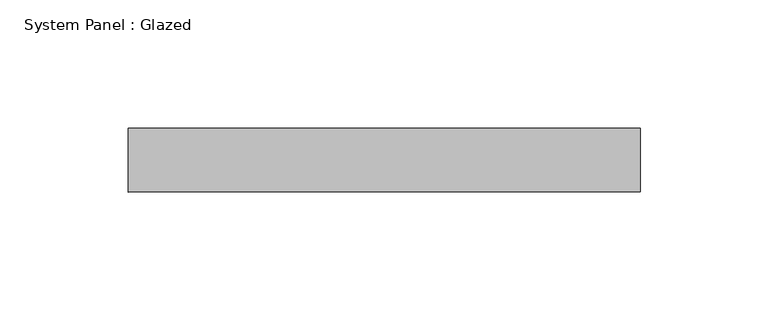
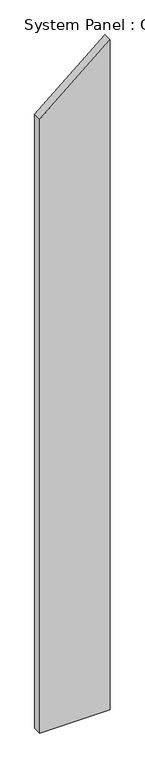
"""IFC4 building model written with IfcOpenShell, lengths in millimetres: plate geometry, System Panel : Glazed."""

from ifc_helpers import new_model, si_unit, frame, origin, place, context, project, spatial, polyline, outline, extrude, source, transform, mapped, element, save


def system_panel_glazed_474c492a(model_context):
    return source(origin(), model_context, "Body", "SweptSolid", [
        extrude(outline(polyline([(0.0, -100.0), (0.0, 100.0), (2013.8391151, 100.0), (1846.0191888, -100.0), (0.0, -100.0)])), frame((0.0, 24.5, 0.0), z_axis=(0.0, 1.0, 0.0), x_axis=(0.0, 0.0, 1.0)), (0.0, 0.0, 1.0), 25.0),
    ])


if __name__ == "__main__":
    model = new_model("IFC4")
    model_context = context("Model", 3, world=origin())
    ifc_project = project(units=[si_unit("LENGTHUNIT", "METRE", prefix="MILLI")], contexts=[model_context])
    site = spatial("IfcSite", under=ifc_project)
    building = spatial("IfcBuilding", under=site)
    placement = place(None, origin())
    system_panel_glazed_shape = system_panel_glazed_474c492a(model_context)
    element("IfcPlate", 1, ObjectType="System Panel : Glazed", at=placement, inside=building, context=model_context, shape_type="MappedRepresentation", body=[
        mapped(system_panel_glazed_shape, transform((0.0, 0.0, 0.0), x_axis=(1.0, 0.0, 0.0), y_axis=(0.0, 1.0, 0.0), z_axis=(0.0, 0.0, 1.0))),
    ])
    save(model, "model.ifc")
